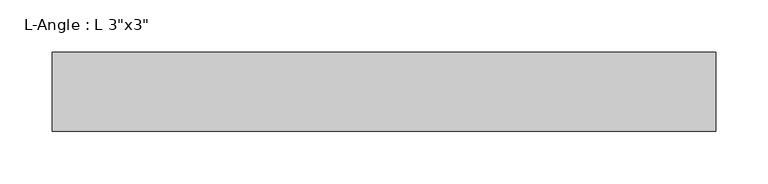
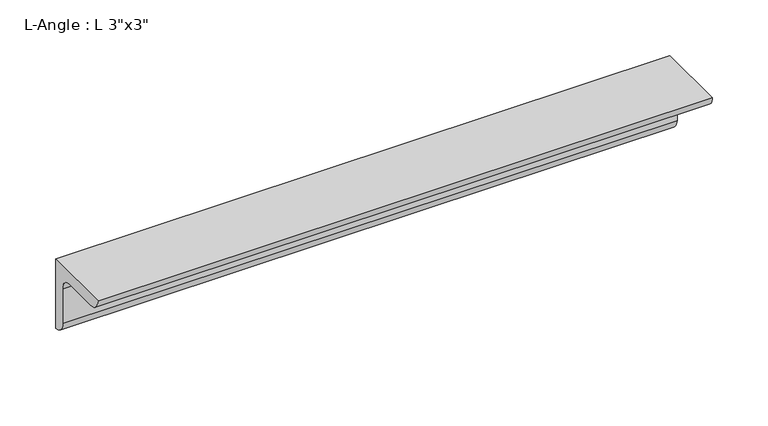
"""IFC4 building model written with IfcOpenShell, lengths in millimetres: beam geometry."""

import ifcopenshell
import ifcopenshell.guid

model = None  # the IFC model being written
_history = None  # IfcOwnerHistory: only IFC2X3 demands one
_inside = {}  # id of a spatial element -> (the spatial element, [elements in it])
_under = {}  # id of a project, library or spatial element -> (it, [spatial elements below it])
_declared = {}  # id of a project -> (the project, [libraries it declares])
_typed = {}  # id of a type object -> (the type object, [elements of that type])
_made_of = {}  # id of a material, layer set ... -> (it, [elements and type objects made of it])


def new_model(schema):
    """Start an empty IFC model of exactly this schema.

    Asked for "IFC4X3", IfcOpenShell would pick the latest addendum, in which some entities
    have other attributes; the version numbers below select the first issue.
    IFC2X3 requires an IfcOwnerHistory on every rooted entity: one is made here for all.
    """
    global model, _history
    if schema == "IFC4X3":
        model = ifcopenshell.file(schema_version=(4, 3, 0, 0))
    else:
        model = ifcopenshell.file(schema=schema)
    _inside.clear()
    _under.clear()
    _declared.clear()
    _typed.clear()
    _made_of.clear()
    _history = None
    if model.schema == "IFC2X3":
        org = make("IfcOrganization", Name="unknown")
        user = make(
            "IfcPersonAndOrganization",
            ThePerson=make("IfcPerson", FamilyName="unknown"),
            TheOrganization=org,
        )
        app = make(
            "IfcApplication",
            ApplicationDeveloper=org,
            Version="unknown",
            ApplicationFullName="unknown",
            ApplicationIdentifier="unknown",
        )
        _history = make(
            "IfcOwnerHistory",
            OwningUser=user,
            OwningApplication=app,
            ChangeAction="ADDED",
            CreationDate=0,
        )
    return model


def make(cls, **values):
    """One entity of the class cls with the attributes given. An attribute that is None is left unset."""
    return model.create_entity(
        cls, **{name: value for name, value in values.items() if value is not None}
    )


def rooted(cls, **values):
    """An entity with a GlobalId (a new one), such as an element, a storey or a relation."""
    return make(cls, GlobalId=ifcopenshell.guid.new(), OwnerHistory=_history, **values)


def si_unit(unit_type, name, prefix=None):
    """IfcSIUnit, for example si_unit("LENGTHUNIT", "METRE", prefix="MILLI")."""
    return make("IfcSIUnit", UnitType=unit_type, Prefix=prefix, Name=name)


def assignment(units):
    """IfcUnitAssignment: the units of a project."""
    return None if units is None else make("IfcUnitAssignment", Units=units)


def point(xyz):
    """IfcCartesianPoint."""
    return None if xyz is None else make("IfcCartesianPoint", Coordinates=xyz)


def direction(xyz):
    """IfcDirection."""
    return None if xyz is None else make("IfcDirection", DirectionRatios=xyz)


def frame(location, z_axis=None, x_axis=None):
    """IfcAxis2Placement3D, a coordinate frame: its origin and axes. An axis left out is left unset."""
    return make(
        "IfcAxis2Placement3D",
        Location=point(location),
        Axis=direction(z_axis),
        RefDirection=direction(x_axis),
    )


def frame_2d(location, x_axis=None):
    """IfcAxis2Placement2D, a coordinate frame in the plane: its origin and x axis."""
    return make(
        "IfcAxis2Placement2D", Location=point(location), RefDirection=direction(x_axis)
    )


def origin():
    """The frame at (0, 0, 0) with its axes left unset."""
    return frame((0.0, 0.0, 0.0))


def place(relative_to, where):
    """IfcLocalPlacement: puts the frame where relative to a parent placement (None: the world)."""
    return make(
        "IfcLocalPlacement", PlacementRelTo=relative_to, RelativePlacement=where
    )


def context(
    kind, dimensions, precision=None, world=None, true_north=None, identifier=None
):
    """IfcGeometricRepresentationContext, for example the 3D "Model" context."""
    return make(
        "IfcGeometricRepresentationContext",
        ContextIdentifier=identifier,
        ContextType=kind,
        CoordinateSpaceDimension=dimensions,
        Precision=precision,
        WorldCoordinateSystem=world,
        TrueNorth=true_north,
    )


def project(units=None, contexts=None):
    """IfcProject with its units and contexts."""
    return rooted(
        "IfcProject",
        Name="project",
        RepresentationContexts=contexts,
        UnitsInContext=assignment(units),
    )


def spatial(cls, under=None, at=None, **own):
    """A site, building, storey or space (cls), placed at a placement, below another one or the project."""
    s = rooted(cls, ObjectPlacement=at, **own)
    if under is not None:
        _under.setdefault(under.id(), (under, []))[1].append(s)
    return s


def polyline(points):
    """IfcPolyline through the points."""
    return make("IfcPolyline", Points=[point(p) for p in points])


def circle_curve(where, radius):
    """IfcCircle in the frame where."""
    return make("IfcCircle", Position=where, Radius=radius)


def trimmed(basis, trim1, trim2, sense, master):
    """IfcTrimmedCurve: the piece of a basis curve between two trims."""
    return make(
        "IfcTrimmedCurve",
        BasisCurve=basis,
        Trim1=trim1,
        Trim2=trim2,
        SenseAgreement=sense,
        MasterRepresentation=master,
    )


def segment(curve, same_sense, transition):
    """IfcCompositeCurveSegment."""
    return make(
        "IfcCompositeCurveSegment",
        Transition=transition,
        SameSense=same_sense,
        ParentCurve=curve,
    )


def composite_curve(segments, self_intersect=None):
    """IfcCompositeCurve: segments joined end to end."""
    return make("IfcCompositeCurve", Segments=segments, SelfIntersect=self_intersect)


def outline(outer, holes=None, kind="AREA"):
    """IfcArbitraryClosedProfileDef: a profile drawn as a closed curve; with holes, ...WithVoids."""
    if holes is None:
        return make("IfcArbitraryClosedProfileDef", ProfileType=kind, OuterCurve=outer)
    return make(
        "IfcArbitraryProfileDefWithVoids",
        ProfileType=kind,
        OuterCurve=outer,
        InnerCurves=holes,
    )


def extrude(swept, where, along, depth):
    """IfcExtrudedAreaSolid: the profile swept, set in the frame where, extruded along a direction by depth."""
    return make(
        "IfcExtrudedAreaSolid",
        SweptArea=swept,
        Position=where,
        ExtrudedDirection=direction(along),
        Depth=depth,
    )


def shape(context_of_items, identifier, shape_type, items):
    """IfcShapeRepresentation: the items that make up one representation, for example the "Body"."""
    return make(
        "IfcShapeRepresentation",
        ContextOfItems=context_of_items,
        RepresentationIdentifier=identifier,
        RepresentationType=shape_type,
        Items=items,
    )


def source(mapping_origin, context_of_items, identifier, shape_type, items):
    """IfcRepresentationMap: a shape defined once, which mapped items show again and again."""
    return make(
        "IfcRepresentationMap",
        MappingOrigin=mapping_origin,
        MappedRepresentation=shape(context_of_items, identifier, shape_type, items),
    )


def transform(
    local_origin,
    x_axis=None,
    y_axis=None,
    z_axis=None,
    scale=None,
    scale2=None,
    scale3=None,
    uniform=True,
):
    """IfcCartesianTransformationOperator3D, or its non-uniform kind. x_axis, y_axis, z_axis: its Axis1, 2, 3."""
    if uniform:
        return make(
            "IfcCartesianTransformationOperator3D",
            Axis1=direction(x_axis),
            Axis2=direction(y_axis),
            LocalOrigin=point(local_origin),
            Scale=scale,
            Axis3=direction(z_axis),
        )
    return make(
        "IfcCartesianTransformationOperator3DnonUniform",
        Axis1=direction(x_axis),
        Axis2=direction(y_axis),
        LocalOrigin=point(local_origin),
        Scale=scale,
        Axis3=direction(z_axis),
        Scale2=scale2,
        Scale3=scale3,
    )


def mapped(mapping_source, mapping_target):
    """IfcMappedItem: shows the shape of a source again, moved by a transform."""
    return make(
        "IfcMappedItem", MappingSource=mapping_source, MappingTarget=mapping_target
    )


def made_of(thing, what):
    """Note that an element or type object is made of a material, layer set ...; save() writes the relation."""
    if what is not None:
        _made_of.setdefault(what.id(), (what, []))[1].append(thing)
    return thing


def element(
    cls,
    number,
    at=None,
    inside=None,
    cuts=None,
    type_object=None,
    material=None,
    context=None,
    identifier="Body",
    shape_type=None,
    held_by="IfcProductDefinitionShape",
    body=None,
    shapes=None,
    **own,
):
    """One element of the class cls, such as IfcWall. Its Tag is "e" and its number.

    at: its placement. inside: the storey or other place that contains it. cuts: it is an
    opening in that element (IfcRelVoidsElement). A single representation is given by context,
    identifier, shape_type and body (its items); several are given by shapes. held_by: the class
    of the entity that holds the representations. save() writes the other relations.
    """
    e = rooted(cls, Tag="e%d" % number, ObjectPlacement=at, **own)
    if body is not None:
        shapes = [shape(context, identifier, shape_type, body)]
    if shapes is not None:
        e.Representation = make(held_by, Representations=shapes)
    if inside is not None:
        _inside.setdefault(inside.id(), (inside, []))[1].append(e)
    if cuts is not None:
        rooted(
            "IfcRelVoidsElement", RelatingBuildingElement=cuts, RelatedOpeningElement=e
        )
    if type_object is not None:
        _typed.setdefault(type_object.id(), (type_object, []))[1].append(e)
    return made_of(e, material)


def aggregate(whole, parts):
    """IfcRelAggregates: a whole, such as a stair, and the parts it consists of."""
    return rooted("IfcRelAggregates", RelatingObject=whole, RelatedObjects=parts)


def save(model, path):
    """Write the relations noted so far, then the file.

    IfcRelAggregates (storeys below a building ...), IfcRelContainedInSpatialStructure (elements
    in a storey), IfcRelDefinesByType, IfcRelAssociatesMaterial and IfcRelDeclares: one each for
    every whole, place, type object, material and project.
    """
    for whole, parts in _under.values():
        aggregate(whole, parts)
    for where, things in _inside.values():
        rooted(
            "IfcRelContainedInSpatialStructure",
            RelatedElements=things,
            RelatingStructure=where,
        )
    for kind, things in _typed.values():
        rooted("IfcRelDefinesByType", RelatedObjects=things, RelatingType=kind)
    for what, things in _made_of.values():
        rooted("IfcRelAssociatesMaterial", RelatedObjects=things, RelatingMaterial=what)
    for by, libraries in _declared.values():
        rooted("IfcRelDeclares", RelatingContext=by, RelatedDefinitions=libraries)
    model.write(path)


def beam_9cc62c84(model_context):
    return source(origin(), model_context, "Body", "SweptSolid", [
        extrude(outline(composite_curve([segment(polyline([(24.9039062, 50.3039062), (24.9039062, -25.8960938)]), True, "CONTINUOUS"), segment(trimmed(circle_curve(frame_2d((24.9039062, -13.1960938)), 12.7), [point((24.9039062, -25.8960938))], [point((12.2039062, -13.1960938))], False, "CARTESIAN"), True, "CONTINUOUS"), segment(polyline([(12.2039062, -13.1960938), (12.2039062, 24.9039062)]), True, "CONTINUOUS"), segment(trimmed(circle_curve(frame_2d((-0.4960938, 24.9039062)), 12.7), [point((12.2039062, 24.9039062))], [point((-0.4960938, 37.6039062))], True, "CARTESIAN"), True, "CONTINUOUS"), segment(polyline([(-0.4960938, 37.6039062), (-38.5960938, 37.6039062)]), True, "CONTINUOUS"), segment(trimmed(circle_curve(frame_2d((-38.5960938, 50.3039062)), 12.7), [point((-38.5960938, 37.6039062))], [point((-51.2960938, 50.3039062))], False, "CARTESIAN"), True, "CONTINUOUS"), segment(polyline([(-51.2960938, 50.3039062), (24.9039062, 50.3039062)]), True, "CONTINUOUS")], self_intersect=False)), frame((-318.7500916, 0.0, 0.0), z_axis=(1.0, 0.0, 0.0), x_axis=(0.0, 1.0, 0.0)), (0.0, 0.0, 1.0), 637.5001832),
    ])


if __name__ == "__main__":
    model = new_model("IFC4")
    model_context = context("Model", 3, world=origin())
    ifc_project = project(units=[si_unit("LENGTHUNIT", "METRE", prefix="MILLI")], contexts=[model_context])
    site = spatial("IfcSite", under=ifc_project)
    building = spatial("IfcBuilding", under=site)
    placement = place(None, origin())
    beam_shape = beam_9cc62c84(model_context)
    element("IfcBeam", 1, ObjectType="L-Angle : L 3\"x3\"", at=placement, inside=building, context=model_context, shape_type="MappedRepresentation", body=[
        mapped(beam_shape, transform((0.0, 0.0, 0.0), x_axis=(1.0, 0.0, 0.0), y_axis=(0.0, 1.0, 0.0), z_axis=(0.0, 0.0, 1.0))),
    ])
    save(model, "model.ifc")
